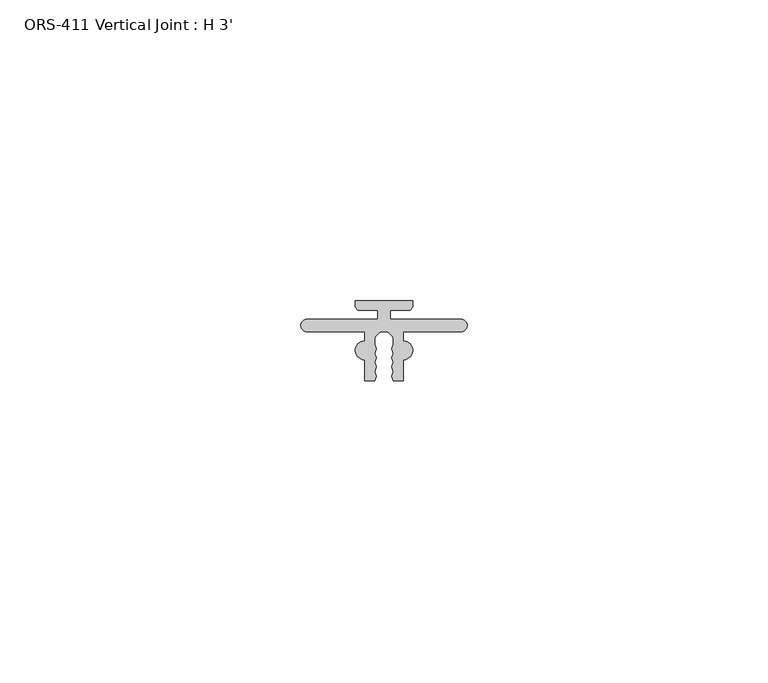
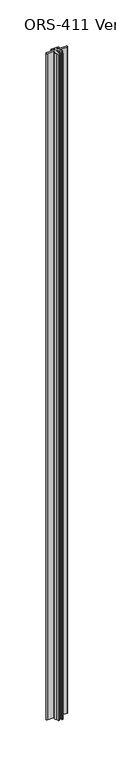
"""IFC4 building model written with IfcOpenShell, lengths in millimetres: proxy geometry, ORS-411 Vertical Joint : H 3'."""

import ifcopenshell
import ifcopenshell.guid

model = None  # the IFC model being written
_history = None  # IfcOwnerHistory: only IFC2X3 demands one
_inside = {}  # id of a spatial element -> (the spatial element, [elements in it])
_under = {}  # id of a project, library or spatial element -> (it, [spatial elements below it])
_declared = {}  # id of a project -> (the project, [libraries it declares])
_typed = {}  # id of a type object -> (the type object, [elements of that type])
_made_of = {}  # id of a material, layer set ... -> (it, [elements and type objects made of it])


def new_model(schema):
    """Start an empty IFC model of exactly this schema.

    Asked for "IFC4X3", IfcOpenShell would pick the latest addendum, in which some entities
    have other attributes; the version numbers below select the first issue.
    IFC2X3 requires an IfcOwnerHistory on every rooted entity: one is made here for all.
    """
    global model, _history
    if schema == "IFC4X3":
        model = ifcopenshell.file(schema_version=(4, 3, 0, 0))
    else:
        model = ifcopenshell.file(schema=schema)
    _inside.clear()
    _under.clear()
    _declared.clear()
    _typed.clear()
    _made_of.clear()
    _history = None
    if model.schema == "IFC2X3":
        org = make("IfcOrganization", Name="unknown")
        user = make(
            "IfcPersonAndOrganization",
            ThePerson=make("IfcPerson", FamilyName="unknown"),
            TheOrganization=org,
        )
        app = make(
            "IfcApplication",
            ApplicationDeveloper=org,
            Version="unknown",
            ApplicationFullName="unknown",
            ApplicationIdentifier="unknown",
        )
        _history = make(
            "IfcOwnerHistory",
            OwningUser=user,
            OwningApplication=app,
            ChangeAction="ADDED",
            CreationDate=0,
        )
    return model


def make(cls, **values):
    """One entity of the class cls with the attributes given. An attribute that is None is left unset."""
    return model.create_entity(
        cls, **{name: value for name, value in values.items() if value is not None}
    )


def rooted(cls, **values):
    """An entity with a GlobalId (a new one), such as an element, a storey or a relation."""
    return make(cls, GlobalId=ifcopenshell.guid.new(), OwnerHistory=_history, **values)


def si_unit(unit_type, name, prefix=None):
    """IfcSIUnit, for example si_unit("LENGTHUNIT", "METRE", prefix="MILLI")."""
    return make("IfcSIUnit", UnitType=unit_type, Prefix=prefix, Name=name)


def assignment(units):
    """IfcUnitAssignment: the units of a project."""
    return None if units is None else make("IfcUnitAssignment", Units=units)


def point(xyz):
    """IfcCartesianPoint."""
    return None if xyz is None else make("IfcCartesianPoint", Coordinates=xyz)


def direction(xyz):
    """IfcDirection."""
    return None if xyz is None else make("IfcDirection", DirectionRatios=xyz)


def frame(location, z_axis=None, x_axis=None):
    """IfcAxis2Placement3D, a coordinate frame: its origin and axes. An axis left out is left unset."""
    return make(
        "IfcAxis2Placement3D",
        Location=point(location),
        Axis=direction(z_axis),
        RefDirection=direction(x_axis),
    )


def frame_2d(location, x_axis=None):
    """IfcAxis2Placement2D, a coordinate frame in the plane: its origin and x axis."""
    return make(
        "IfcAxis2Placement2D", Location=point(location), RefDirection=direction(x_axis)
    )


def origin():
    """The frame at (0, 0, 0) with its axes left unset."""
    return frame((0.0, 0.0, 0.0))


def origin_with_axes():
    """The frame at (0, 0, 0) with the z axis (0, 0, 1) and the x axis (1, 0, 0) written out."""
    return frame((0.0, 0.0, 0.0), z_axis=(0.0, 0.0, 1.0), x_axis=(1.0, 0.0, 0.0))


def place(relative_to, where):
    """IfcLocalPlacement: puts the frame where relative to a parent placement (None: the world)."""
    return make(
        "IfcLocalPlacement", PlacementRelTo=relative_to, RelativePlacement=where
    )


def context(
    kind, dimensions, precision=None, world=None, true_north=None, identifier=None
):
    """IfcGeometricRepresentationContext, for example the 3D "Model" context."""
    return make(
        "IfcGeometricRepresentationContext",
        ContextIdentifier=identifier,
        ContextType=kind,
        CoordinateSpaceDimension=dimensions,
        Precision=precision,
        WorldCoordinateSystem=world,
        TrueNorth=true_north,
    )


def project(units=None, contexts=None):
    """IfcProject with its units and contexts."""
    return rooted(
        "IfcProject",
        Name="project",
        RepresentationContexts=contexts,
        UnitsInContext=assignment(units),
    )


def spatial(cls, under=None, at=None, **own):
    """A site, building, storey or space (cls), placed at a placement, below another one or the project."""
    s = rooted(cls, ObjectPlacement=at, **own)
    if under is not None:
        _under.setdefault(under.id(), (under, []))[1].append(s)
    return s


def polyline(points):
    """IfcPolyline through the points."""
    return make("IfcPolyline", Points=[point(p) for p in points])


def circle_curve(where, radius):
    """IfcCircle in the frame where."""
    return make("IfcCircle", Position=where, Radius=radius)


def trimmed(basis, trim1, trim2, sense, master):
    """IfcTrimmedCurve: the piece of a basis curve between two trims."""
    return make(
        "IfcTrimmedCurve",
        BasisCurve=basis,
        Trim1=trim1,
        Trim2=trim2,
        SenseAgreement=sense,
        MasterRepresentation=master,
    )


def segment(curve, same_sense, transition):
    """IfcCompositeCurveSegment."""
    return make(
        "IfcCompositeCurveSegment",
        Transition=transition,
        SameSense=same_sense,
        ParentCurve=curve,
    )


def composite_curve(segments, self_intersect=None):
    """IfcCompositeCurve: segments joined end to end."""
    return make("IfcCompositeCurve", Segments=segments, SelfIntersect=self_intersect)


def outline(outer, holes=None, kind="AREA"):
    """IfcArbitraryClosedProfileDef: a profile drawn as a closed curve; with holes, ...WithVoids."""
    if holes is None:
        return make("IfcArbitraryClosedProfileDef", ProfileType=kind, OuterCurve=outer)
    return make(
        "IfcArbitraryProfileDefWithVoids",
        ProfileType=kind,
        OuterCurve=outer,
        InnerCurves=holes,
    )


def extrude(swept, where, along, depth):
    """IfcExtrudedAreaSolid: the profile swept, set in the frame where, extruded along a direction by depth."""
    return make(
        "IfcExtrudedAreaSolid",
        SweptArea=swept,
        Position=where,
        ExtrudedDirection=direction(along),
        Depth=depth,
    )


def shape(context_of_items, identifier, shape_type, items):
    """IfcShapeRepresentation: the items that make up one representation, for example the "Body"."""
    return make(
        "IfcShapeRepresentation",
        ContextOfItems=context_of_items,
        RepresentationIdentifier=identifier,
        RepresentationType=shape_type,
        Items=items,
    )


def source(mapping_origin, context_of_items, identifier, shape_type, items):
    """IfcRepresentationMap: a shape defined once, which mapped items show again and again."""
    return make(
        "IfcRepresentationMap",
        MappingOrigin=mapping_origin,
        MappedRepresentation=shape(context_of_items, identifier, shape_type, items),
    )


def transform(
    local_origin,
    x_axis=None,
    y_axis=None,
    z_axis=None,
    scale=None,
    scale2=None,
    scale3=None,
    uniform=True,
):
    """IfcCartesianTransformationOperator3D, or its non-uniform kind. x_axis, y_axis, z_axis: its Axis1, 2, 3."""
    if uniform:
        return make(
            "IfcCartesianTransformationOperator3D",
            Axis1=direction(x_axis),
            Axis2=direction(y_axis),
            LocalOrigin=point(local_origin),
            Scale=scale,
            Axis3=direction(z_axis),
        )
    return make(
        "IfcCartesianTransformationOperator3DnonUniform",
        Axis1=direction(x_axis),
        Axis2=direction(y_axis),
        LocalOrigin=point(local_origin),
        Scale=scale,
        Axis3=direction(z_axis),
        Scale2=scale2,
        Scale3=scale3,
    )


def mapped(mapping_source, mapping_target):
    """IfcMappedItem: shows the shape of a source again, moved by a transform."""
    return make(
        "IfcMappedItem", MappingSource=mapping_source, MappingTarget=mapping_target
    )


def made_of(thing, what):
    """Note that an element or type object is made of a material, layer set ...; save() writes the relation."""
    if what is not None:
        _made_of.setdefault(what.id(), (what, []))[1].append(thing)
    return thing


def element(
    cls,
    number,
    at=None,
    inside=None,
    cuts=None,
    type_object=None,
    material=None,
    context=None,
    identifier="Body",
    shape_type=None,
    held_by="IfcProductDefinitionShape",
    body=None,
    shapes=None,
    **own,
):
    """One element of the class cls, such as IfcWall. Its Tag is "e" and its number.

    at: its placement. inside: the storey or other place that contains it. cuts: it is an
    opening in that element (IfcRelVoidsElement). A single representation is given by context,
    identifier, shape_type and body (its items); several are given by shapes. held_by: the class
    of the entity that holds the representations. save() writes the other relations.
    """
    e = rooted(cls, Tag="e%d" % number, ObjectPlacement=at, **own)
    if body is not None:
        shapes = [shape(context, identifier, shape_type, body)]
    if shapes is not None:
        e.Representation = make(held_by, Representations=shapes)
    if inside is not None:
        _inside.setdefault(inside.id(), (inside, []))[1].append(e)
    if cuts is not None:
        rooted(
            "IfcRelVoidsElement", RelatingBuildingElement=cuts, RelatedOpeningElement=e
        )
    if type_object is not None:
        _typed.setdefault(type_object.id(), (type_object, []))[1].append(e)
    return made_of(e, material)


def aggregate(whole, parts):
    """IfcRelAggregates: a whole, such as a stair, and the parts it consists of."""
    return rooted("IfcRelAggregates", RelatingObject=whole, RelatedObjects=parts)


def save(model, path):
    """Write the relations noted so far, then the file.

    IfcRelAggregates (storeys below a building ...), IfcRelContainedInSpatialStructure (elements
    in a storey), IfcRelDefinesByType, IfcRelAssociatesMaterial and IfcRelDeclares: one each for
    every whole, place, type object, material and project.
    """
    for whole, parts in _under.values():
        aggregate(whole, parts)
    for where, things in _inside.values():
        rooted(
            "IfcRelContainedInSpatialStructure",
            RelatedElements=things,
            RelatingStructure=where,
        )
    for kind, things in _typed.values():
        rooted("IfcRelDefinesByType", RelatedObjects=things, RelatingType=kind)
    for what, things in _made_of.values():
        rooted("IfcRelAssociatesMaterial", RelatedObjects=things, RelatingMaterial=what)
    for by, libraries in _declared.values():
        rooted("IfcRelDeclares", RelatingContext=by, RelatedDefinitions=libraries)
    model.write(path)


def ors_411_vertical_joint_h_3_70ba1856(model_context):
    return source(origin(), model_context, "Body", "SweptSolid", [
        extrude(outline(composite_curve([segment(trimmed(circle_curve(frame_2d((8.6978997, 0.522225)), 1.5748), [point((8.6976462, -1.052575))], [point((8.6976462, 2.097025))], False, "CARTESIAN"), True, "CONTINUOUS"), segment(polyline([(8.6976462, 2.097025), (8.6976462, 3.582925), (7.2987957, 3.582925), (-0.8617461, 3.582925)]), True, "CONTINUOUS"), segment(trimmed(circle_curve(frame_2d((-0.8617461, 4.649725)), 1.0668), [point((-0.8617461, 3.582925))], [point((-0.8617461, 5.716525))], False, "CARTESIAN"), True, "CONTINUOUS"), segment(polyline([(-0.8617461, 5.716525), (7.2987957, 5.716525), (10.8204001, 5.716525), (10.8204001, 7.1440039), (7.9197201, 7.1440039)]), True, "CONTINUOUS"), segment(trimmed(circle_curve(frame_2d((7.9197201, 7.9390239)), 0.79502), [point((7.9197201, 7.1440039))], [point((7.1247001, 7.9390239))], False, "CARTESIAN"), True, "CONTINUOUS"), segment(polyline([(7.1247001, 7.9390239), (7.1247001, 8.7315039), (16.6497001, 8.7315039), (16.6497001, 7.9390239)]), True, "CONTINUOUS"), segment(trimmed(circle_curve(frame_2d((15.8546801, 7.9390239)), 0.79502), [point((16.6497001, 7.9390239))], [point((15.8546801, 7.1440039))], False, "CARTESIAN"), True, "CONTINUOUS"), segment(polyline([(15.8546801, 7.1440039), (12.9540001, 7.1440039), (12.9540001, 5.716525), (16.4756045, 5.716525), (24.6361462, 5.716525)]), True, "CONTINUOUS"), segment(trimmed(circle_curve(frame_2d((24.6361462, 4.649725)), 1.0668), [point((24.6361462, 5.716525))], [point((24.6361462, 3.582925))], False, "CARTESIAN"), True, "CONTINUOUS"), segment(polyline([(24.6361462, 3.582925), (16.4756045, 3.582925), (15.0767539, 3.582925), (15.0767539, 2.097025)]), True, "CONTINUOUS"), segment(trimmed(circle_curve(frame_2d((15.0765005, 0.522225)), 1.5748), [point((15.0767539, 2.097025))], [point((15.0767539, -1.052575))], False, "CARTESIAN"), True, "CONTINUOUS"), segment(polyline([(15.0767539, -1.052575), (15.0767539, -4.557775), (13.4112, -4.557775), (13.1572, -3.7760434), (13.4112, -3.0262433), (13.1572, -2.2445116), (13.4112, -1.4947116), (13.1572, -0.7129799), (13.4112, 0.0368201), (13.1572, 0.8185518), (13.4112, 1.5683518), (13.4112, 2.6177247)]), True, "CONTINUOUS"), segment(trimmed(circle_curve(frame_2d((11.8872001, 1.9464393)), 1.6652927), [point((13.4112, 2.6177247))], [point((11.8872001, 3.611732))], True, "CARTESIAN"), True, "CONTINUOUS"), segment(trimmed(circle_curve(frame_2d((11.8872001, 1.9464393)), 1.6652927), [point((11.8872001, 3.611732))], [point((10.3632002, 2.6177247))], True, "CARTESIAN"), True, "CONTINUOUS"), segment(polyline([(10.3632002, 2.6177247), (10.3632002, 1.5683518), (10.6172002, 0.8185518), (10.3632002, 0.0368201), (10.6172002, -0.7129799), (10.3632002, -1.4947116), (10.6172002, -2.2445116), (10.3632002, -3.0262433), (10.6172002, -3.7760434), (10.3632002, -4.557775), (8.6976462, -4.557775), (8.6976462, -1.052575)]), True, "CONTINUOUS")], self_intersect=False)), origin_with_axes(), (0.0, 0.0, 1.0), 914.4),
    ])


if __name__ == "__main__":
    model = new_model("IFC4")
    model_context = context("Model", 3, world=origin())
    ifc_project = project(units=[si_unit("LENGTHUNIT", "METRE", prefix="MILLI")], contexts=[model_context])
    site = spatial("IfcSite", under=ifc_project)
    building = spatial("IfcBuilding", under=site)
    placement = place(None, origin())
    ors_411_vertical_joint_h_3_shape = ors_411_vertical_joint_h_3_70ba1856(model_context)
    element("IfcBuildingElementProxy", 1, Name="ORS-411 Vertical Joint : H 3'", ObjectType="ORS-411 Vertical Joint : H 3'", at=placement, inside=building, context=model_context, shape_type="MappedRepresentation", body=[
        mapped(ors_411_vertical_joint_h_3_shape, transform((0.0, 0.0, 0.0), x_axis=(1.0, 0.0, 0.0), y_axis=(0.0, 1.0, 0.0), z_axis=(0.0, 0.0, 1.0))),
    ])
    save(model, "model.ifc")
